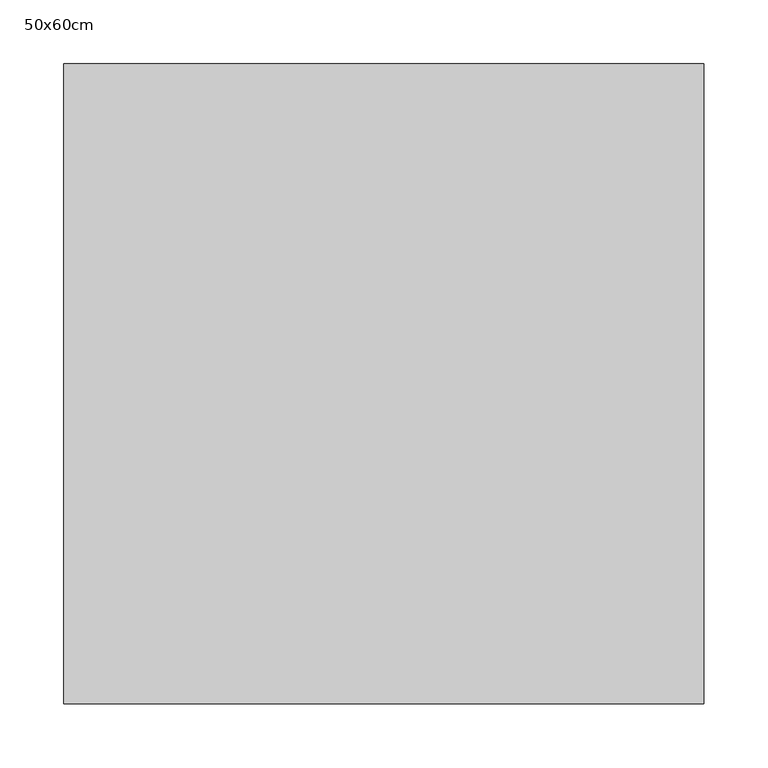
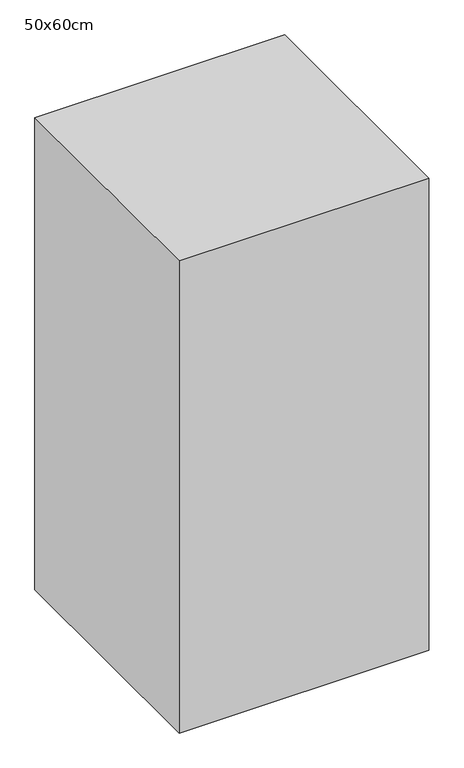
"""IFC4 building model written with IfcOpenShell, lengths in millimetres: proxy geometry, 50x60cm."""

import ifcopenshell
import ifcopenshell.guid

model = None  # the IFC model being written
_history = None  # IfcOwnerHistory: only IFC2X3 demands one
_inside = {}  # id of a spatial element -> (the spatial element, [elements in it])
_under = {}  # id of a project, library or spatial element -> (it, [spatial elements below it])
_declared = {}  # id of a project -> (the project, [libraries it declares])
_typed = {}  # id of a type object -> (the type object, [elements of that type])
_made_of = {}  # id of a material, layer set ... -> (it, [elements and type objects made of it])


def new_model(schema):
    """Start an empty IFC model of exactly this schema.

    Asked for "IFC4X3", IfcOpenShell would pick the latest addendum, in which some entities
    have other attributes; the version numbers below select the first issue.
    IFC2X3 requires an IfcOwnerHistory on every rooted entity: one is made here for all.
    """
    global model, _history
    if schema == "IFC4X3":
        model = ifcopenshell.file(schema_version=(4, 3, 0, 0))
    else:
        model = ifcopenshell.file(schema=schema)
    _inside.clear()
    _under.clear()
    _declared.clear()
    _typed.clear()
    _made_of.clear()
    _history = None
    if model.schema == "IFC2X3":
        org = make("IfcOrganization", Name="unknown")
        user = make(
            "IfcPersonAndOrganization",
            ThePerson=make("IfcPerson", FamilyName="unknown"),
            TheOrganization=org,
        )
        app = make(
            "IfcApplication",
            ApplicationDeveloper=org,
            Version="unknown",
            ApplicationFullName="unknown",
            ApplicationIdentifier="unknown",
        )
        _history = make(
            "IfcOwnerHistory",
            OwningUser=user,
            OwningApplication=app,
            ChangeAction="ADDED",
            CreationDate=0,
        )
    return model


def make(cls, **values):
    """One entity of the class cls with the attributes given. An attribute that is None is left unset."""
    return model.create_entity(
        cls, **{name: value for name, value in values.items() if value is not None}
    )


def rooted(cls, **values):
    """An entity with a GlobalId (a new one), such as an element, a storey or a relation."""
    return make(cls, GlobalId=ifcopenshell.guid.new(), OwnerHistory=_history, **values)


def si_unit(unit_type, name, prefix=None):
    """IfcSIUnit, for example si_unit("LENGTHUNIT", "METRE", prefix="MILLI")."""
    return make("IfcSIUnit", UnitType=unit_type, Prefix=prefix, Name=name)


def assignment(units):
    """IfcUnitAssignment: the units of a project."""
    return None if units is None else make("IfcUnitAssignment", Units=units)


def point(xyz):
    """IfcCartesianPoint."""
    return None if xyz is None else make("IfcCartesianPoint", Coordinates=xyz)


def direction(xyz):
    """IfcDirection."""
    return None if xyz is None else make("IfcDirection", DirectionRatios=xyz)


def frame(location, z_axis=None, x_axis=None):
    """IfcAxis2Placement3D, a coordinate frame: its origin and axes. An axis left out is left unset."""
    return make(
        "IfcAxis2Placement3D",
        Location=point(location),
        Axis=direction(z_axis),
        RefDirection=direction(x_axis),
    )


def origin():
    """The frame at (0, 0, 0) with its axes left unset."""
    return frame((0.0, 0.0, 0.0))


def place(relative_to, where):
    """IfcLocalPlacement: puts the frame where relative to a parent placement (None: the world)."""
    return make(
        "IfcLocalPlacement", PlacementRelTo=relative_to, RelativePlacement=where
    )


def context(
    kind, dimensions, precision=None, world=None, true_north=None, identifier=None
):
    """IfcGeometricRepresentationContext, for example the 3D "Model" context."""
    return make(
        "IfcGeometricRepresentationContext",
        ContextIdentifier=identifier,
        ContextType=kind,
        CoordinateSpaceDimension=dimensions,
        Precision=precision,
        WorldCoordinateSystem=world,
        TrueNorth=true_north,
    )


def project(units=None, contexts=None):
    """IfcProject with its units and contexts."""
    return rooted(
        "IfcProject",
        Name="project",
        RepresentationContexts=contexts,
        UnitsInContext=assignment(units),
    )


def spatial(cls, under=None, at=None, **own):
    """A site, building, storey or space (cls), placed at a placement, below another one or the project."""
    s = rooted(cls, ObjectPlacement=at, **own)
    if under is not None:
        _under.setdefault(under.id(), (under, []))[1].append(s)
    return s


def polyline(points):
    """IfcPolyline through the points."""
    return make("IfcPolyline", Points=[point(p) for p in points])


def outline(outer, holes=None, kind="AREA"):
    """IfcArbitraryClosedProfileDef: a profile drawn as a closed curve; with holes, ...WithVoids."""
    if holes is None:
        return make("IfcArbitraryClosedProfileDef", ProfileType=kind, OuterCurve=outer)
    return make(
        "IfcArbitraryProfileDefWithVoids",
        ProfileType=kind,
        OuterCurve=outer,
        InnerCurves=holes,
    )


def extrude(swept, where, along, depth):
    """IfcExtrudedAreaSolid: the profile swept, set in the frame where, extruded along a direction by depth."""
    return make(
        "IfcExtrudedAreaSolid",
        SweptArea=swept,
        Position=where,
        ExtrudedDirection=direction(along),
        Depth=depth,
    )


def shape(context_of_items, identifier, shape_type, items):
    """IfcShapeRepresentation: the items that make up one representation, for example the "Body"."""
    return make(
        "IfcShapeRepresentation",
        ContextOfItems=context_of_items,
        RepresentationIdentifier=identifier,
        RepresentationType=shape_type,
        Items=items,
    )


def source(mapping_origin, context_of_items, identifier, shape_type, items):
    """IfcRepresentationMap: a shape defined once, which mapped items show again and again."""
    return make(
        "IfcRepresentationMap",
        MappingOrigin=mapping_origin,
        MappedRepresentation=shape(context_of_items, identifier, shape_type, items),
    )


def transform(
    local_origin,
    x_axis=None,
    y_axis=None,
    z_axis=None,
    scale=None,
    scale2=None,
    scale3=None,
    uniform=True,
):
    """IfcCartesianTransformationOperator3D, or its non-uniform kind. x_axis, y_axis, z_axis: its Axis1, 2, 3."""
    if uniform:
        return make(
            "IfcCartesianTransformationOperator3D",
            Axis1=direction(x_axis),
            Axis2=direction(y_axis),
            LocalOrigin=point(local_origin),
            Scale=scale,
            Axis3=direction(z_axis),
        )
    return make(
        "IfcCartesianTransformationOperator3DnonUniform",
        Axis1=direction(x_axis),
        Axis2=direction(y_axis),
        LocalOrigin=point(local_origin),
        Scale=scale,
        Axis3=direction(z_axis),
        Scale2=scale2,
        Scale3=scale3,
    )


def mapped(mapping_source, mapping_target):
    """IfcMappedItem: shows the shape of a source again, moved by a transform."""
    return make(
        "IfcMappedItem", MappingSource=mapping_source, MappingTarget=mapping_target
    )


def made_of(thing, what):
    """Note that an element or type object is made of a material, layer set ...; save() writes the relation."""
    if what is not None:
        _made_of.setdefault(what.id(), (what, []))[1].append(thing)
    return thing


def element(
    cls,
    number,
    at=None,
    inside=None,
    cuts=None,
    type_object=None,
    material=None,
    context=None,
    identifier="Body",
    shape_type=None,
    held_by="IfcProductDefinitionShape",
    body=None,
    shapes=None,
    **own,
):
    """One element of the class cls, such as IfcWall. Its Tag is "e" and its number.

    at: its placement. inside: the storey or other place that contains it. cuts: it is an
    opening in that element (IfcRelVoidsElement). A single representation is given by context,
    identifier, shape_type and body (its items); several are given by shapes. held_by: the class
    of the entity that holds the representations. save() writes the other relations.
    """
    e = rooted(cls, Tag="e%d" % number, ObjectPlacement=at, **own)
    if body is not None:
        shapes = [shape(context, identifier, shape_type, body)]
    if shapes is not None:
        e.Representation = make(held_by, Representations=shapes)
    if inside is not None:
        _inside.setdefault(inside.id(), (inside, []))[1].append(e)
    if cuts is not None:
        rooted(
            "IfcRelVoidsElement", RelatingBuildingElement=cuts, RelatedOpeningElement=e
        )
    if type_object is not None:
        _typed.setdefault(type_object.id(), (type_object, []))[1].append(e)
    return made_of(e, material)


def aggregate(whole, parts):
    """IfcRelAggregates: a whole, such as a stair, and the parts it consists of."""
    return rooted("IfcRelAggregates", RelatingObject=whole, RelatedObjects=parts)


def save(model, path):
    """Write the relations noted so far, then the file.

    IfcRelAggregates (storeys below a building ...), IfcRelContainedInSpatialStructure (elements
    in a storey), IfcRelDefinesByType, IfcRelAssociatesMaterial and IfcRelDeclares: one each for
    every whole, place, type object, material and project.
    """
    for whole, parts in _under.values():
        aggregate(whole, parts)
    for where, things in _inside.values():
        rooted(
            "IfcRelContainedInSpatialStructure",
            RelatedElements=things,
            RelatingStructure=where,
        )
    for kind, things in _typed.values():
        rooted("IfcRelDefinesByType", RelatedObjects=things, RelatingType=kind)
    for what, things in _made_of.values():
        rooted("IfcRelAssociatesMaterial", RelatedObjects=things, RelatingMaterial=what)
    for by, libraries in _declared.values():
        rooted("IfcRelDeclares", RelatingContext=by, RelatedDefinitions=libraries)
    model.write(path)


def proxy_50x60cm_e981327a(model_context):
    return source(origin(), model_context, "Body", "SweptSolid", [
        extrude(outline(polyline([(500.0, 500.0), (500.0, 0.0), (0.0, 0.0), (0.0, 500.0), (500.0, 500.0)])), frame((0.0, 0.0, 100.0), z_axis=(0.0, 0.0, 1.0), x_axis=(1.0, 0.0, 0.0)), (0.0, 0.0, 1.0), 1000.0),
    ])


if __name__ == "__main__":
    model = new_model("IFC4")
    model_context = context("Model", 3, world=origin())
    ifc_project = project(units=[si_unit("LENGTHUNIT", "METRE", prefix="MILLI")], contexts=[model_context])
    site = spatial("IfcSite", under=ifc_project)
    building = spatial("IfcBuilding", under=site)
    placement = place(None, origin())
    proxy_50x60cm_shape = proxy_50x60cm_e981327a(model_context)
    element("IfcBuildingElementProxy", 1, Name="50x60cm", ObjectType="50x60cm", at=placement, inside=building, context=model_context, shape_type="MappedRepresentation", body=[
        mapped(proxy_50x60cm_shape, transform((0.0, 0.0, 0.0), x_axis=(1.0, 0.0, 0.0), y_axis=(0.0, 1.0, 0.0), z_axis=(0.0, 0.0, 1.0))),
    ])
    save(model, "model.ifc")
